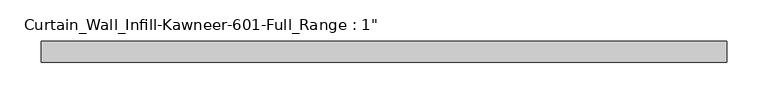
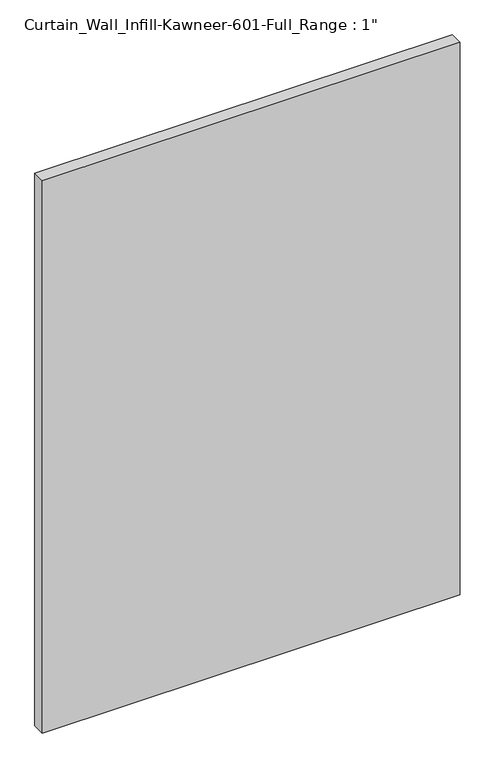
"""IFC4 building model written with IfcOpenShell, lengths in millimetres: plate geometry."""

from ifc_helpers import new_model, si_unit, origin, origin_with_axes, place, context, project, spatial, polyline, outline, extrude, source, transform, mapped, element, save


def plate_57b938ba(model_context):
    return source(origin(), model_context, "Body", "SweptSolid", [
        extrude(outline(polyline([(-415.925, -12.7), (-415.925, 12.7), (415.925, 12.7), (415.925, -12.7), (-415.925, -12.7)])), origin_with_axes(), (0.0, 0.0, 1.0), 1162.05),
    ])


if __name__ == "__main__":
    model = new_model("IFC4")
    model_context = context("Model", 3, world=origin())
    ifc_project = project(units=[si_unit("LENGTHUNIT", "METRE", prefix="MILLI")], contexts=[model_context])
    site = spatial("IfcSite", under=ifc_project)
    building = spatial("IfcBuilding", under=site)
    placement = place(None, origin())
    plate_shape = plate_57b938ba(model_context)
    element("IfcPlate", 1, ObjectType="Curtain_Wall_Infill-Kawneer-601-Full_Range : 1\"", at=placement, inside=building, context=model_context, shape_type="MappedRepresentation", body=[
        mapped(plate_shape, transform((0.0, 0.0, 0.0), x_axis=(1.0, 0.0, 0.0), y_axis=(0.0, 1.0, 0.0), z_axis=(0.0, 0.0, 1.0))),
    ])
    save(model, "model.ifc")
